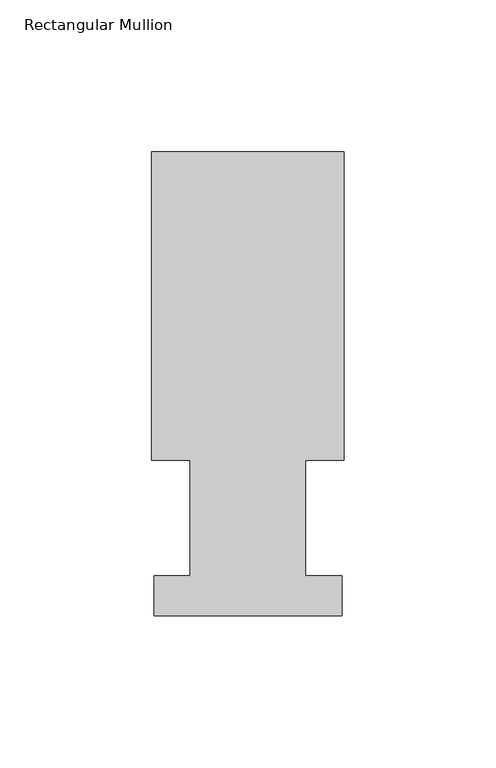
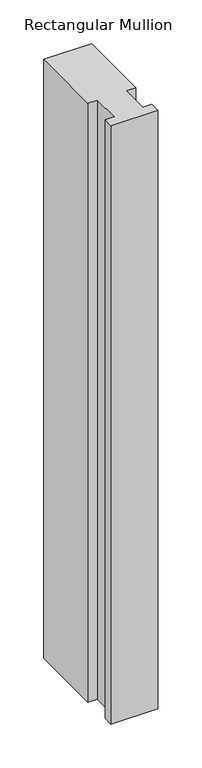
"""IFC4 building model written with IfcOpenShell, lengths in millimetres: member geometry, Rectangular Mullion."""

from ifc_helpers import new_model, si_unit, frame, origin, place, context, project, spatial, polyline, outline, extrude, source, transform, mapped, element, save


def rectangular_mullion_7b1ad507(model_context):
    return source(origin(), model_context, "Body", "SweptSolid", [
        extrude(outline(polyline([(-31.7499997, 152.8960948), (31.7500003, 152.8960948), (31.7500003, 51.2960938), (19.0499997, 51.2960938), (19.0499997, 13.1960948), (30.9626006, 13.1960948), (30.9626006, 0.0084148), (-30.9626003, 0.0084148), (-30.9626003, 13.1960948), (-19.0499991, 13.1960948), (-19.0499991, 51.2960938), (-31.7499997, 51.2960938), (-31.7499997, 152.8960948)])), frame((0.0, 0.0, -838.2), z_axis=(0.0, 0.0, 1.0), x_axis=(1.0, 0.0, 0.0)), (0.0, 0.0, 1.0), 838.2),
    ])


if __name__ == "__main__":
    model = new_model("IFC4")
    model_context = context("Model", 3, world=origin())
    ifc_project = project(units=[si_unit("LENGTHUNIT", "METRE", prefix="MILLI")], contexts=[model_context])
    site = spatial("IfcSite", under=ifc_project)
    building = spatial("IfcBuilding", under=site)
    placement = place(None, origin())
    rectangular_mullion_shape = rectangular_mullion_7b1ad507(model_context)
    element("IfcMember", 1, ObjectType="Rectangular Mullion", at=placement, inside=building, context=model_context, shape_type="MappedRepresentation", body=[
        mapped(rectangular_mullion_shape, transform((0.0, 0.0, 0.0), x_axis=(1.0, 0.0, 0.0), y_axis=(0.0, 1.0, 0.0), z_axis=(0.0, 0.0, 1.0))),
    ])
    save(model, "model.ifc")
